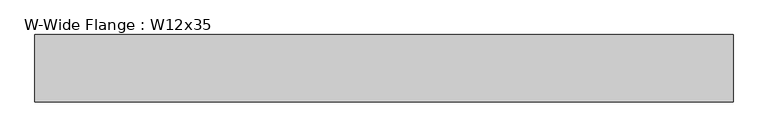
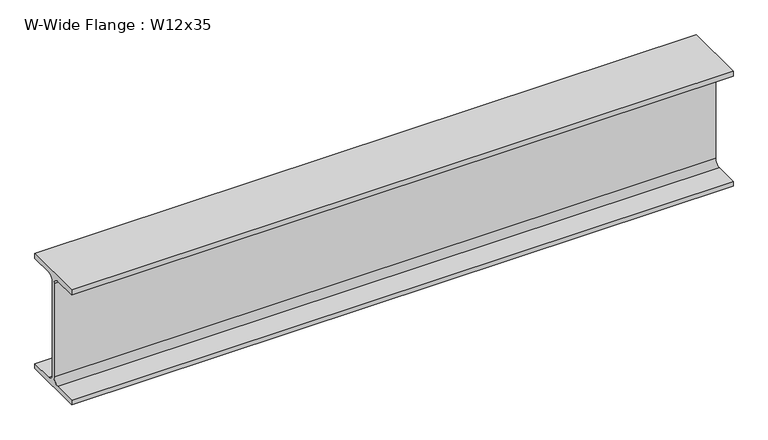
"""IFC4 building model written with IfcOpenShell, lengths in millimetres: beam geometry, W-Wide Flange : W12x35."""

from ifc_helpers import new_model, si_unit, point, frame, frame_2d, origin, place, context, project, spatial, polyline, circle_curve, trimmed, segment, composite_curve, outline, extrude, source, transform, mapped, element, save


def w_wide_flange_w12x35_4d319b5e(model_context):
    return source(origin(), model_context, "Body", "SweptSolid", [
        extrude(outline(composite_curve([segment(polyline([(83.312, -145.542), (83.312, -158.75), (-83.312, -158.75), (-83.312, -145.542), (-20.7645, -145.542)]), True, "CONTINUOUS"), segment(trimmed(circle_curve(frame_2d((-20.7645, -128.5875)), 16.9545), [point((-20.7645, -145.542))], [point((-3.81, -128.5875))], True, "CARTESIAN"), True, "CONTINUOUS"), segment(polyline([(-3.81, -128.5875), (-3.81, 128.5875)]), True, "CONTINUOUS"), segment(trimmed(circle_curve(frame_2d((-20.7645, 128.5875)), 16.9545), [point((-3.81, 128.5875))], [point((-20.7645, 145.542))], True, "CARTESIAN"), True, "CONTINUOUS"), segment(polyline([(-20.7645, 145.542), (-83.312, 145.542), (-83.312, 158.75), (83.312, 158.75), (83.312, 145.542), (20.7645, 145.542)]), True, "CONTINUOUS"), segment(trimmed(circle_curve(frame_2d((20.7645, 128.5875)), 16.9545), [point((20.7645, 145.542))], [point((3.81, 128.5875))], True, "CARTESIAN"), True, "CONTINUOUS"), segment(polyline([(3.81, 128.5875), (3.81, -128.5875)]), True, "CONTINUOUS"), segment(trimmed(circle_curve(frame_2d((20.7645, -128.5875)), 16.9545), [point((3.81, -128.5875))], [point((20.7645, -145.542))], True, "CARTESIAN"), True, "CONTINUOUS"), segment(polyline([(20.7645, -145.542), (83.312, -145.542)]), True, "CONTINUOUS")], self_intersect=False)), frame((-829.183, 0.0, 0.0), z_axis=(1.0, 0.0, 0.0), x_axis=(0.0, 1.0, 0.0)), (0.0, 0.0, 1.0), 1728.216),
    ])


if __name__ == "__main__":
    model = new_model("IFC4")
    model_context = context("Model", 3, world=origin())
    ifc_project = project(units=[si_unit("LENGTHUNIT", "METRE", prefix="MILLI")], contexts=[model_context])
    site = spatial("IfcSite", under=ifc_project)
    building = spatial("IfcBuilding", under=site)
    placement = place(None, origin())
    w_wide_flange_w12x35_shape = w_wide_flange_w12x35_4d319b5e(model_context)
    element("IfcBeam", 1, ObjectType="W-Wide Flange : W12x35", at=placement, inside=building, context=model_context, shape_type="MappedRepresentation", body=[
        mapped(w_wide_flange_w12x35_shape, transform((0.0, 0.0, 0.0), x_axis=(1.0, 0.0, 0.0), y_axis=(0.0, 1.0, 0.0), z_axis=(0.0, 0.0, 1.0))),
    ])
    save(model, "model.ifc")
